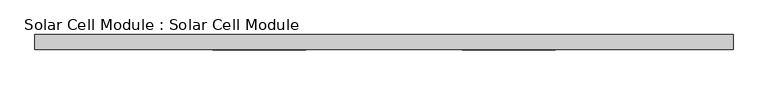
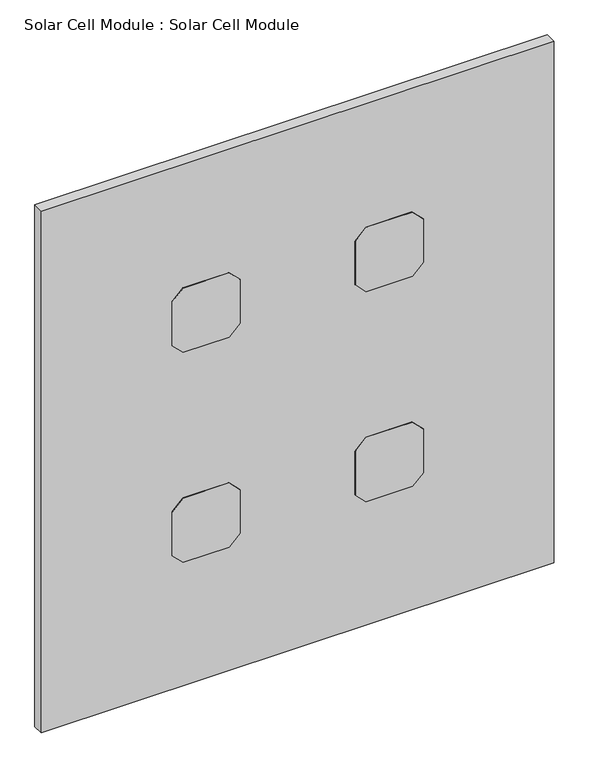
"""IFC4 building model written with IfcOpenShell, lengths in millimetres: plate geometry, Solar Cell Module : Solar Cell Module."""

from ifc_helpers import new_model, si_unit, frame, origin, origin_with_axes, place, context, project, spatial, polyline, outline, extrude, source, transform, mapped, element, save


def solar_cell_module_solar_cell_module_11511b18(model_context):
    return source(origin(), model_context, "Body", "SweptSolid", [
        extrude(outline(polyline([(809.3427185, 263.2378602), (834.3427185, 288.2378602), (940.3427185, 288.2378602), (965.3427185, 263.2378602), (965.3427185, 157.2378602), (940.3427185, 132.2378602), (834.3427185, 132.2378602), (809.3427185, 157.2378602), (809.3427185, 263.2378602)])), frame((0.0, -26.0, 0.0), z_axis=(0.0, 1.0, 0.0), x_axis=(0.0, 0.0, 1.0)), (0.0, 0.0, 1.0), 1.0),
        extrude(outline(polyline([(300.0, 263.2378602), (325.0, 288.2378602), (431.0, 288.2378602), (456.0, 263.2378602), (456.0, 157.2378602), (431.0, 132.2378602), (325.0, 132.2378602), (300.0, 157.2378602), (300.0, 263.2378602)])), frame((0.0, -26.0, 0.0), z_axis=(0.0, 1.0, 0.0), x_axis=(0.0, 0.0, 1.0)), (0.0, 0.0, 1.0), 1.0),
        extrude(outline(polyline([(809.3427185, -157.2378602), (834.3427185, -132.2378602), (940.3427185, -132.2378602), (965.3427185, -157.2378602), (965.3427185, -263.2378602), (940.3427185, -288.2378602), (834.3427185, -288.2378602), (809.3427185, -263.2378602), (809.3427185, -157.2378602)])), frame((0.0, -26.0, 0.0), z_axis=(0.0, 1.0, 0.0), x_axis=(0.0, 0.0, 1.0)), (0.0, 0.0, 1.0), 1.0),
        extrude(outline(polyline([(300.0, -157.2378602), (325.0, -132.2378602), (431.0, -132.2378602), (456.0, -157.2378602), (456.0, -263.2378602), (431.0, -288.2378602), (325.0, -288.2378602), (300.0, -263.2378602), (300.0, -157.2378602)])), frame((0.0, -26.0, 0.0), z_axis=(0.0, 1.0, 0.0), x_axis=(0.0, 0.0, 1.0)), (0.0, 0.0, 1.0), 1.0),
        extrude(outline(polyline([(588.2378602, -25.0), (-588.2378602, -25.0), (-588.2378602, 0.0), (588.2378602, 0.0), (588.2378602, -25.0)])), origin_with_axes(), (0.0, 0.0, 1.0), 1265.3427185),
    ])


if __name__ == "__main__":
    model = new_model("IFC4")
    model_context = context("Model", 3, world=origin())
    ifc_project = project(units=[si_unit("LENGTHUNIT", "METRE", prefix="MILLI")], contexts=[model_context])
    site = spatial("IfcSite", under=ifc_project)
    building = spatial("IfcBuilding", under=site)
    placement = place(None, origin())
    solar_cell_module_solar_cell_module_shape = solar_cell_module_solar_cell_module_11511b18(model_context)
    element("IfcPlate", 1, ObjectType="Solar Cell Module : Solar Cell Module", at=placement, inside=building, context=model_context, shape_type="MappedRepresentation", body=[
        mapped(solar_cell_module_solar_cell_module_shape, transform((0.0, 0.0, 0.0), x_axis=(1.0, 0.0, 0.0), y_axis=(0.0, 1.0, 0.0), z_axis=(0.0, 0.0, 1.0))),
    ])
    save(model, "model.ifc")
